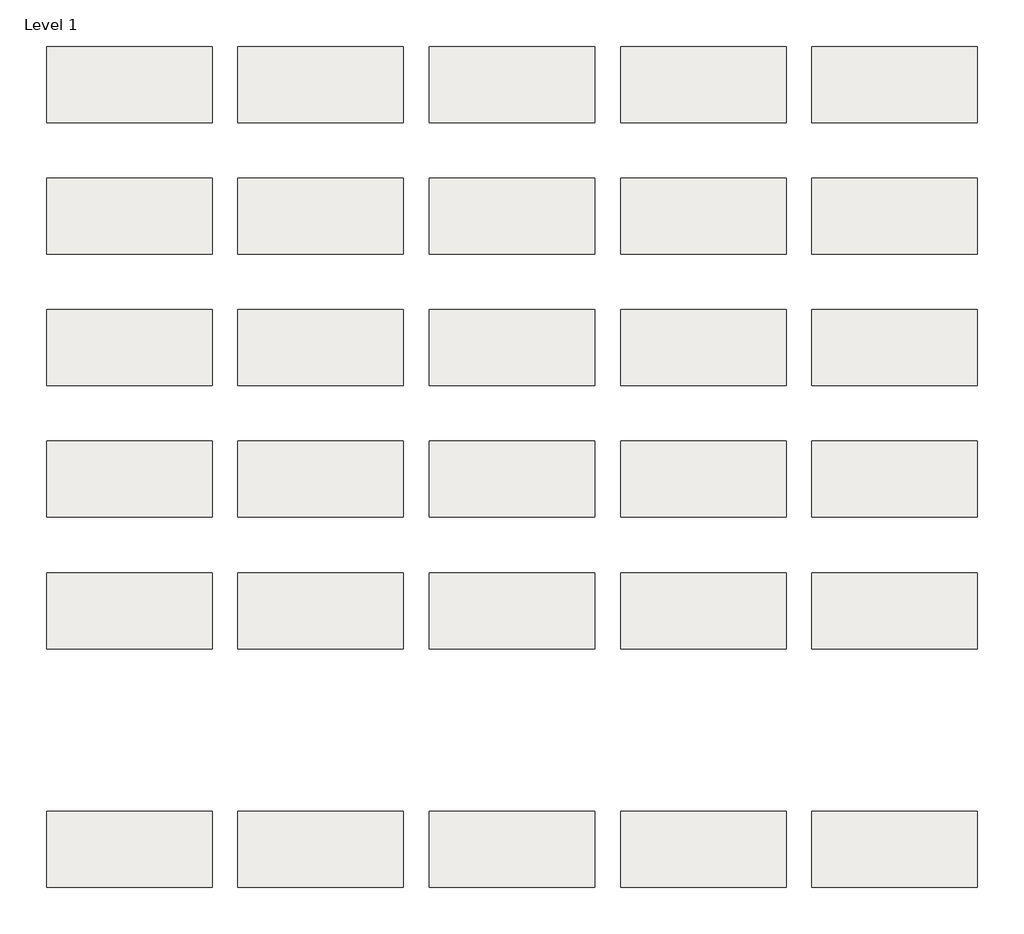
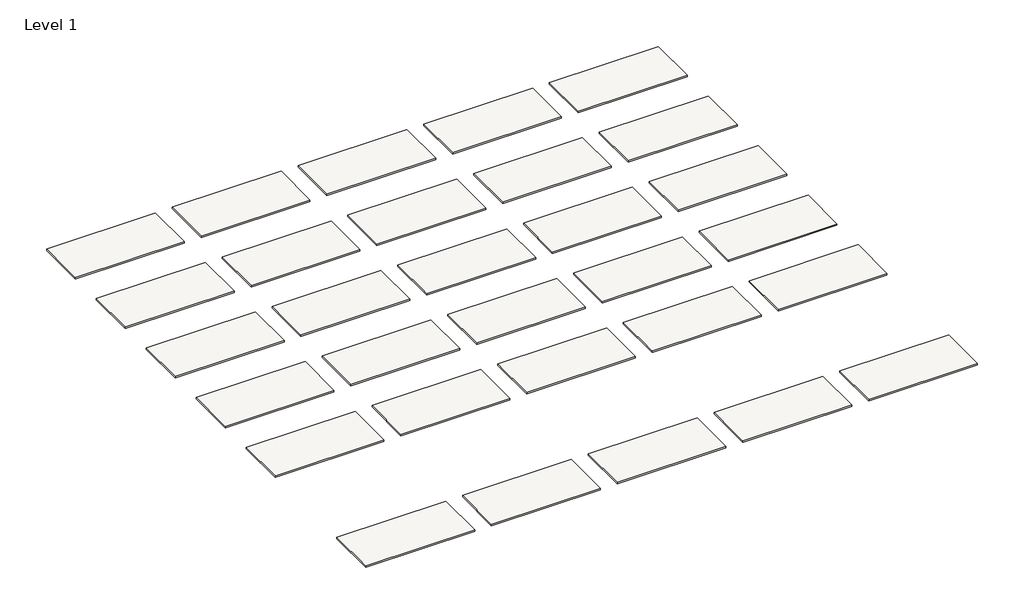
# One storey: 30 roofs.
"""IFC4 building model written with IfcOpenShell, lengths in millimetres."""

from ifc_helpers import new_model, si_unit, origin, origin_with_axes, place, context, project, spatial, polyline, outline, extrude, element, save

model = new_model("IFC4")

# Units and contexts
model_context = context("Model", 3, world=origin())
ifc_project = project(units=[si_unit("LENGTHUNIT", "METRE", prefix="MILLI")], contexts=[model_context])

# Site, building, storey
site = spatial("IfcSite", under=ifc_project)
building = spatial("IfcBuilding", under=site)
storey = spatial("IfcBuildingStorey", under=building, Name="Level 1", Elevation=0.0)

# Roofs
placement = place(None, origin())
element("IfcRoof", 1, at=placement, inside=storey, context=model_context, shape_type="SweptSolid", body=[
    extrude(outline(polyline([(-6144.4471173, -1370.5264682), (-3045.6471173, -1370.5264682), (-3045.6471173, -2792.9264682), (-6144.4471173, -2792.9264682), (-6144.4471173, -1370.5264682)])), origin_with_axes(), (0.0, 0.0, 1.0), 44.45),
])
element("IfcRoof", 2, at=placement, inside=storey, context=model_context, shape_type="SweptSolid", body=[
    extrude(outline(polyline([(1018.3528827, -1370.5264682), (4117.1528827, -1370.5264682), (4117.1528827, -2792.9264682), (1018.3528827, -2792.9264682), (1018.3528827, -1370.5264682)])), origin_with_axes(), (0.0, 0.0, 1.0), 44.45),
])
element("IfcRoof", 3, at=placement, inside=storey, context=model_context, shape_type="SweptSolid", body=[
    extrude(outline(polyline([(-9725.8471173, 1093.2735318), (-6627.0471173, 1093.2735318), (-6627.0471173, -329.1264682), (-9725.8471173, -329.1264682), (-9725.8471173, 1093.2735318)])), origin_with_axes(), (0.0, 0.0, 1.0), 44.45),
])
element("IfcRoof", 4, at=placement, inside=storey, context=model_context, shape_type="SweptSolid", body=[
    extrude(outline(polyline([(-2563.0471173, 3557.0735318), (535.7528827, 3557.0735318), (535.7528827, 2134.6735318), (-2563.0471173, 2134.6735318), (-2563.0471173, 3557.0735318)])), origin_with_axes(), (0.0, 0.0, 1.0), 44.45),
])
element("IfcRoof", 5, at=placement, inside=storey, context=model_context, shape_type="SweptSolid", body=[
    extrude(outline(polyline([(1018.3528827, 3557.0735318), (4117.1528827, 3557.0735318), (4117.1528827, 2134.6735318), (1018.3528827, 2134.6735318), (1018.3528827, 3557.0735318)])), origin_with_axes(), (0.0, 0.0, 1.0), 44.45),
])
element("IfcRoof", 6, at=placement, inside=storey, context=model_context, shape_type="SweptSolid", body=[
    extrude(outline(polyline([(-9725.8471173, 6020.8735318), (-6627.0471173, 6020.8735318), (-6627.0471173, 4598.4735318), (-9725.8471173, 4598.4735318), (-9725.8471173, 6020.8735318)])), origin_with_axes(), (0.0, 0.0, 1.0), 44.45),
])
element("IfcRoof", 7, at=placement, inside=storey, context=model_context, shape_type="SweptSolid", body=[
    extrude(outline(polyline([(-2563.0471173, 8484.6735318), (535.7528827, 8484.6735318), (535.7528827, 7062.2735318), (-2563.0471173, 7062.2735318), (-2563.0471173, 8484.6735318)])), origin_with_axes(), (0.0, 0.0, 1.0), 44.45),
])
element("IfcRoof", 8, at=placement, inside=storey, context=model_context, shape_type="SweptSolid", body=[
    extrude(outline(polyline([(4599.7528827, 8484.6735318), (7698.5528827, 8484.6735318), (7698.5528827, 7062.2735318), (4599.7528827, 7062.2735318), (4599.7528827, 8484.6735318)])), origin_with_axes(), (0.0, 0.0, 1.0), 44.45),
])
element("IfcRoof", 9, at=placement, inside=storey, context=model_context, shape_type="SweptSolid", body=[
    extrude(outline(polyline([(-6144.4471173, -5840.9264682), (-3045.6471173, -5840.9264682), (-3045.6471173, -7263.3264682), (-6144.4471173, -7263.3264682), (-6144.4471173, -5840.9264682)])), origin_with_axes(), (0.0, 0.0, 1.0), 44.45),
])
element("IfcRoof", 10, at=placement, inside=storey, context=model_context, shape_type="SweptSolid", body=[
    extrude(outline(polyline([(4599.7528827, -5840.9264682), (7698.5528827, -5840.9264682), (7698.5528827, -7263.3264682), (4599.7528827, -7263.3264682), (4599.7528827, -5840.9264682)])), origin_with_axes(), (0.0, 0.0, 1.0), 44.45),
])
element("IfcRoof", 11, ObjectType="Metal - Fabral - V-Panel - 32\" - 26 ga. Steel - Almond", at=placement, inside=storey, context=model_context, shape_type="SweptSolid", body=[
    extrude(outline(polyline([(-2563.0471173, 1093.2735318), (535.7528827, 1093.2735318), (535.7528827, -329.1264682), (-2563.0471173, -329.1264682), (-2563.0471173, 1093.2735318)])), origin_with_axes(), (0.0, 0.0, 1.0), 44.45),
])
element("IfcRoof", 12, ObjectType="Metal - Fabral - V-Panel - 32\" - 26 ga. Steel - Banner Red", at=placement, inside=storey, context=model_context, shape_type="SweptSolid", body=[
    extrude(outline(polyline([(-6144.4471173, 8484.6735318), (-3045.6471173, 8484.6735318), (-3045.6471173, 7062.2735318), (-6144.4471173, 7062.2735318), (-6144.4471173, 8484.6735318)])), origin_with_axes(), (0.0, 0.0, 1.0), 44.45),
])
element("IfcRoof", 13, ObjectType="Metal - Fabral - V-Panel - 32\" - 26 ga. Steel - Bone White", at=placement, inside=storey, context=model_context, shape_type="SweptSolid", body=[
    extrude(outline(polyline([(1018.3528827, 1093.2735318), (4117.1528827, 1093.2735318), (4117.1528827, -329.1264682), (1018.3528827, -329.1264682), (1018.3528827, 1093.2735318)])), origin_with_axes(), (0.0, 0.0, 1.0), 44.45),
])
element("IfcRoof", 14, ObjectType="Metal - Fabral - V-Panel - 32\" - 26 ga. Steel - Champagne", at=placement, inside=storey, context=model_context, shape_type="SweptSolid", body=[
    extrude(outline(polyline([(1018.3528827, -5840.9264682), (4117.1528827, -5840.9264682), (4117.1528827, -7263.3264682), (1018.3528827, -7263.3264682), (1018.3528827, -5840.9264682)])), origin_with_axes(), (0.0, 0.0, 1.0), 44.45),
])
element("IfcRoof", 15, ObjectType="Metal - Fabral - V-Panel - 32\" - 26 ga. Steel - Charcoal", at=placement, inside=storey, context=model_context, shape_type="SweptSolid", body=[
    extrude(outline(polyline([(4599.7528827, 6020.8735318), (7698.5528827, 6020.8735318), (7698.5528827, 4598.4735318), (4599.7528827, 4598.4735318), (4599.7528827, 6020.8735318)])), origin_with_axes(), (0.0, 0.0, 1.0), 44.45),
])
element("IfcRoof", 16, ObjectType="Metal - Fabral - V-Panel - 32\" - 26 ga. Steel - Colonial Red", at=placement, inside=storey, context=model_context, shape_type="SweptSolid", body=[
    extrude(outline(polyline([(-9725.8471173, 8484.6735318), (-6627.0471173, 8484.6735318), (-6627.0471173, 7062.2735318), (-9725.8471173, 7062.2735318), (-9725.8471173, 8484.6735318)])), origin_with_axes(), (0.0, 0.0, 1.0), 44.45),
])
element("IfcRoof", 17, ObjectType="Metal - Fabral - V-Panel - 32\" - 26 ga. Steel - Dark Bronze", at=placement, inside=storey, context=model_context, shape_type="SweptSolid", body=[
    extrude(outline(polyline([(-6144.4471173, 3557.0735318), (-3045.6471173, 3557.0735318), (-3045.6471173, 2134.6735318), (-6144.4471173, 2134.6735318), (-6144.4471173, 3557.0735318)])), origin_with_axes(), (0.0, 0.0, 1.0), 44.45),
])
element("IfcRoof", 18, ObjectType="Metal - Fabral - V-Panel - 32\" - 26 ga. Steel - Dove Gray", at=placement, inside=storey, context=model_context, shape_type="SweptSolid", body=[
    extrude(outline(polyline([(-9725.8471173, -1370.5264682), (-6627.0471173, -1370.5264682), (-6627.0471173, -2792.9264682), (-9725.8471173, -2792.9264682), (-9725.8471173, -1370.5264682)])), origin_with_axes(), (0.0, 0.0, 1.0), 44.45),
])
element("IfcRoof", 19, ObjectType="Metal - Fabral - V-Panel - 32\" - 26 ga. Steel - Matte Black", at=placement, inside=storey, context=model_context, shape_type="SweptSolid", body=[
    extrude(outline(polyline([(-9725.8471173, 3557.0735318), (-6627.0471173, 3557.0735318), (-6627.0471173, 2134.6735318), (-9725.8471173, 2134.6735318), (-9725.8471173, 3557.0735318)])), origin_with_axes(), (0.0, 0.0, 1.0), 44.45),
])
element("IfcRoof", 20, ObjectType="Metal - Fabral - V-Panel - 32\" - 26 ga. Steel - Patina Green", at=placement, inside=storey, context=model_context, shape_type="SweptSolid", body=[
    extrude(outline(polyline([(1018.3528827, 8484.6735318), (4117.1528827, 8484.6735318), (4117.1528827, 7062.2735318), (1018.3528827, 7062.2735318), (1018.3528827, 8484.6735318)])), origin_with_axes(), (0.0, 0.0, 1.0), 44.45),
])
element("IfcRoof", 21, ObjectType="Metal - Fabral - V-Panel - 32\" - 26 ga. Steel - Pewter", at=placement, inside=storey, context=model_context, shape_type="SweptSolid", body=[
    extrude(outline(polyline([(-9725.8471173, -5840.9264682), (-6627.0471173, -5840.9264682), (-6627.0471173, -7263.3264682), (-9725.8471173, -7263.3264682), (-9725.8471173, -5840.9264682)])), origin_with_axes(), (0.0, 0.0, 1.0), 44.45),
])
element("IfcRoof", 22, ObjectType="Metal - Fabral - V-Panel - 32\" - 26 ga. Steel - Regal Blue", at=placement, inside=storey, context=model_context, shape_type="SweptSolid", body=[
    extrude(outline(polyline([(-6144.4471173, 6020.8735318), (-3045.6471173, 6020.8735318), (-3045.6471173, 4598.4735318), (-6144.4471173, 4598.4735318), (-6144.4471173, 6020.8735318)])), origin_with_axes(), (0.0, 0.0, 1.0), 44.45),
])
element("IfcRoof", 23, ObjectType="Metal - Fabral - V-Panel - 32\" - 26 ga. Steel - Regal White", at=placement, inside=storey, context=model_context, shape_type="SweptSolid", body=[
    extrude(outline(polyline([(4599.7528827, 1093.2735318), (7698.5528827, 1093.2735318), (7698.5528827, -329.1264682), (4599.7528827, -329.1264682), (4599.7528827, 1093.2735318)])), origin_with_axes(), (0.0, 0.0, 1.0), 44.45),
])
element("IfcRoof", 24, ObjectType="Metal - Fabral - V-Panel - 32\" - 26 ga. Steel - Sandstone", at=placement, inside=storey, context=model_context, shape_type="SweptSolid", body=[
    extrude(outline(polyline([(-6144.4471173, 1093.2735318), (-3045.6471173, 1093.2735318), (-3045.6471173, -329.1264682), (-6144.4471173, -329.1264682), (-6144.4471173, 1093.2735318)])), origin_with_axes(), (0.0, 0.0, 1.0), 44.45),
])
element("IfcRoof", 25, ObjectType="Metal - Fabral - V-Panel - 32\" - 26 ga. Steel - Sierra Tan", at=placement, inside=storey, context=model_context, shape_type="SweptSolid", body=[
    extrude(outline(polyline([(4599.7528827, 3557.0735318), (7698.5528827, 3557.0735318), (7698.5528827, 2134.6735318), (4599.7528827, 2134.6735318), (4599.7528827, 3557.0735318)])), origin_with_axes(), (0.0, 0.0, 1.0), 44.45),
])
element("IfcRoof", 26, ObjectType="Metal - Fabral - V-Panel - 32\" - 26 ga. Steel - Silversmith", at=placement, inside=storey, context=model_context, shape_type="SweptSolid", body=[
    extrude(outline(polyline([(-2563.0471173, -5840.9264682), (535.7528827, -5840.9264682), (535.7528827, -7263.3264682), (-2563.0471173, -7263.3264682), (-2563.0471173, -5840.9264682)])), origin_with_axes(), (0.0, 0.0, 1.0), 44.45),
])
element("IfcRoof", 27, ObjectType="Metal - Fabral - V-Panel - 32\" - 26 ga. Steel - Slate Blue", at=placement, inside=storey, context=model_context, shape_type="SweptSolid", body=[
    extrude(outline(polyline([(-2563.0471173, 6020.8735318), (535.7528827, 6020.8735318), (535.7528827, 4598.4735318), (-2563.0471173, 4598.4735318), (-2563.0471173, 6020.8735318)])), origin_with_axes(), (0.0, 0.0, 1.0), 44.45),
])
element("IfcRoof", 28, ObjectType="Metal - Fabral - V-Panel - 32\" - 26 ga. Steel - Slate Gray", at=placement, inside=storey, context=model_context, shape_type="SweptSolid", body=[
    extrude(outline(polyline([(1018.3528827, 6020.8735318), (4117.1528827, 6020.8735318), (4117.1528827, 4598.4735318), (1018.3528827, 4598.4735318), (1018.3528827, 6020.8735318)])), origin_with_axes(), (0.0, 0.0, 1.0), 44.45),
])
element("IfcRoof", 29, ObjectType="Metal - Fabral - V-Panel - 32\" - 26 ga. Steel - Teal", at=placement, inside=storey, context=model_context, shape_type="SweptSolid", body=[
    extrude(outline(polyline([(-2563.0471173, -1370.5264682), (535.7528827, -1370.5264682), (535.7528827, -2792.9264682), (-2563.0471173, -2792.9264682), (-2563.0471173, -1370.5264682)])), origin_with_axes(), (0.0, 0.0, 1.0), 44.45),
])
element("IfcRoof", 30, ObjectType="Metal - Fabral - V-Panel - 32\" - 26 ga. Steel - Terra Cotta", at=placement, inside=storey, context=model_context, shape_type="SweptSolid", body=[
    extrude(outline(polyline([(4599.7528827, -1370.5264682), (7698.5528827, -1370.5264682), (7698.5528827, -2792.9264682), (4599.7528827, -2792.9264682), (4599.7528827, -1370.5264682)])), origin_with_axes(), (0.0, 0.0, 1.0), 44.45),
])

save(model, "model.ifc")
